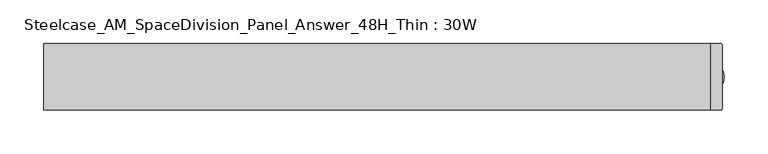
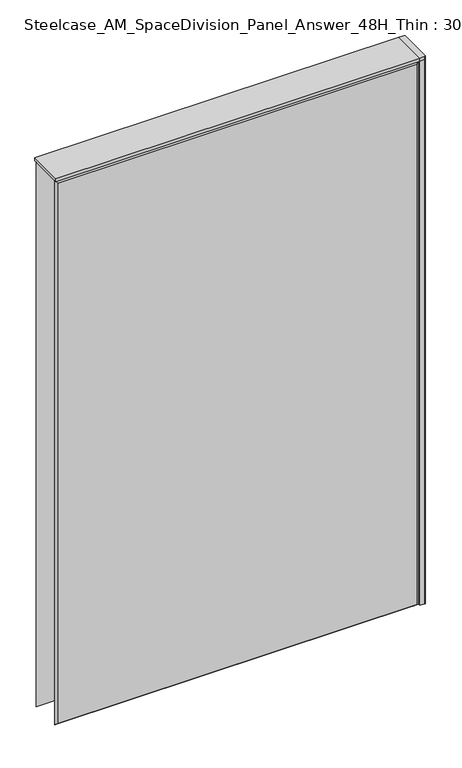
"""IFC4 building model written with IfcOpenShell, lengths in millimetres: furniture geometry, Steelcase_AM_SpaceDivision_Panel_Answer_48H_Thin : 30W."""

from ifc_helpers import new_model, si_unit, point, frame, frame_2d, origin, place, context, project, spatial, polyline, circle_curve, trimmed, segment, composite_curve, outline, extrude, faceted_brep, source, transform, mapped, element, save


def steelcase_am_spacedivision_panel_answer_48h_thin_30w_1254bf79(model_context):
    return source(origin(), model_context, "Body", "SolidModel", [
        extrude(outline(composite_curve([segment(trimmed(circle_curve(frame_2d((381.0, 1.94e-05)), 5.08), [point((386.08, 1.94e-05))], [point((375.92, 1.94e-05))], False, "CARTESIAN"), True, "CONTINUOUS"), segment(trimmed(circle_curve(frame_2d((381.0, 1.94e-05)), 5.08), [point((375.92, 1.94e-05))], [point((386.08, 1.94e-05))], False, "CARTESIAN"), True, "CONTINUOUS")], self_intersect=False)), frame((0.0, 0.0, 5.0799671), z_axis=(0.0, 0.0, 1.0), x_axis=(1.0, 0.0, 0.0)), (0.0, 0.0, 1.0), 10.414),
        extrude(outline(composite_curve([segment(trimmed(circle_curve(frame_2d((381.0, 1.94e-05)), 15.24), [point((396.24, 1.94e-05))], [point((365.76, 1.94e-05))], False, "CARTESIAN"), True, "CONTINUOUS"), segment(trimmed(circle_curve(frame_2d((381.0, 1.94e-05)), 15.24), [point((365.76, 1.94e-05))], [point((396.24, 1.94e-05))], False, "CARTESIAN"), True, "CONTINUOUS")], self_intersect=False)), frame((0.0, 0.0, -3.29e-05), z_axis=(0.0, 0.0, 1.0), x_axis=(1.0, 0.0, 0.0)), (0.0, 0.0, 1.0), 5.08),
        extrude(outline(composite_curve([segment(trimmed(circle_curve(frame_2d((391.922, -36.322)), 1.778), [point((393.7, -36.322))], [point((391.922, -38.1))], False, "CARTESIAN"), True, "CONTINUOUS"), segment(polyline([(391.922, -38.1), (381.0, -38.1), (381.0, 38.1), (391.922, 38.1)]), True, "CONTINUOUS"), segment(trimmed(circle_curve(frame_2d((391.922, 36.322)), 1.778), [point((391.922, 38.1))], [point((393.7, 36.322))], False, "CARTESIAN"), True, "CONTINUOUS"), segment(polyline([(393.7, 36.322), (393.7, -36.322)]), True, "CONTINUOUS")], self_intersect=False)), frame((0.0, 0.0, 1219.1999671), z_axis=(0.0, 0.0, 1.0), x_axis=(1.0, 0.0, 0.0)), (0.0, 0.0, 1.0), 6.35),
        extrude(outline(composite_curve([segment(trimmed(circle_curve(frame_2d((391.922, -36.322)), 1.778), [point((393.7, -36.322))], [point((391.922, -38.1))], False, "CARTESIAN"), True, "CONTINUOUS"), segment(polyline([(391.922, -38.1), (381.0, -38.1), (381.0, 38.1), (391.922, 38.1)]), True, "CONTINUOUS"), segment(trimmed(circle_curve(frame_2d((391.922, 36.322)), 1.778), [point((391.922, 38.1))], [point((393.7, 36.322))], False, "CARTESIAN"), True, "CONTINUOUS"), segment(polyline([(393.7, 36.322), (393.7, -36.322)]), True, "CONTINUOUS")], self_intersect=False)), frame((0.0, 0.0, 15.4939671), z_axis=(0.0, 0.0, 1.0), x_axis=(1.0, 0.0, 0.0)), (0.0, 0.0, 1.0), 1203.706),
        faceted_brep([(-376.174, -38.0960551, 1214.374), (-376.174, -38.0960551, 20.32), (376.174, -38.0960551, 20.32), (376.174, -38.0960551, 1214.374), (-381.0, -33.2700551, 1219.2), (381.0, -33.2700551, 1219.2), (381.0, -33.2700551, 15.494), (-381.0, -33.2700551, 15.494)], [[[0, 1, 2, 3]], [[4, 5, 6, 7]], [[4, 0, 3, 5]], [[5, 3, 2, 6]], [[6, 2, 1, 7]], [[7, 1, 0, 4]]]),
        faceted_brep([(376.174, 38.0960551, 1214.374), (376.174, 38.0960551, 20.32), (-376.174, 38.0960551, 20.32), (-376.174, 38.0960551, 1214.374), (381.0, 33.2700551, 1219.2), (-381.0, 33.2700551, 1219.2), (-381.0, 33.2700551, 15.494), (381.0, 33.2700551, 15.494)], [[[0, 1, 2, 3]], [[4, 5, 6, 7]], [[4, 0, 3, 5]], [[5, 3, 2, 6]], [[6, 2, 1, 7]], [[7, 1, 0, 4]]]),
        extrude(outline(polyline([(381.0, -38.1000194), (-381.0, -38.1000194), (-381.0, 38.1000194), (381.0, 38.1000194), (381.0, -38.1000194)])), frame((0.0, 0.0, 1219.2), z_axis=(0.0, 0.0, 1.0), x_axis=(1.0, 0.0, 0.0)), (0.0, 0.0, 1.0), 6.35),
    ])


if __name__ == "__main__":
    model = new_model("IFC4")
    model_context = context("Model", 3, world=origin())
    ifc_project = project(units=[si_unit("LENGTHUNIT", "METRE", prefix="MILLI")], contexts=[model_context])
    site = spatial("IfcSite", under=ifc_project)
    building = spatial("IfcBuilding", under=site)
    placement = place(None, origin())
    steelcase_am_spacedivision_panel_answer_48h_thin_30w_shape = steelcase_am_spacedivision_panel_answer_48h_thin_30w_1254bf79(model_context)
    element("IfcFurniture", 1, ObjectType="Steelcase_AM_SpaceDivision_Panel_Answer_48H_Thin : 30W", at=placement, inside=building, context=model_context, shape_type="MappedRepresentation", body=[
        mapped(steelcase_am_spacedivision_panel_answer_48h_thin_30w_shape, transform((0.0, 0.0, 0.0), x_axis=(1.0, 0.0, 0.0), y_axis=(0.0, 1.0, 0.0), z_axis=(0.0, 0.0, 1.0))),
    ])
    save(model, "model.ifc")
